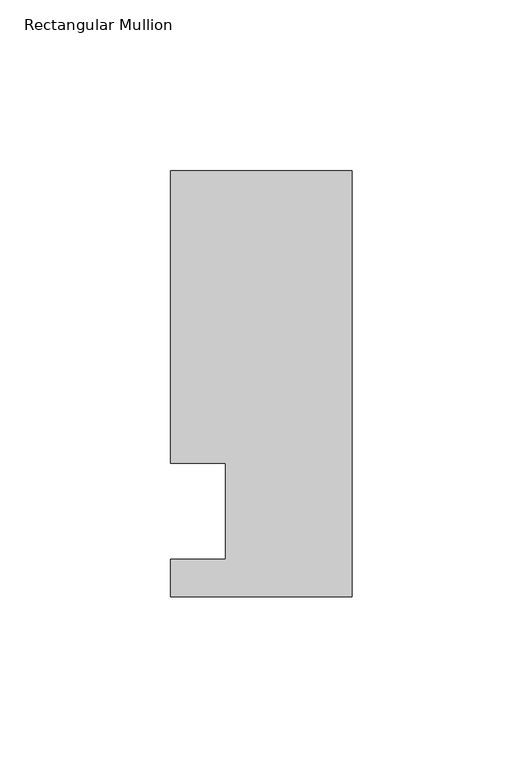
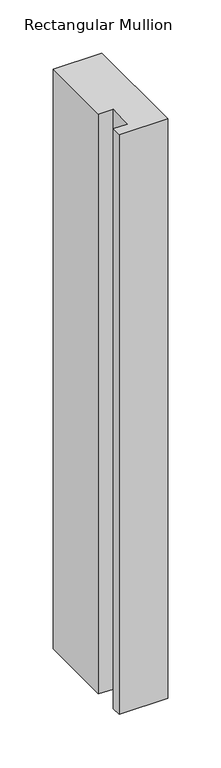
"""IFC4 building model written with IfcOpenShell, lengths in millimetres: member geometry, Rectangular Mullion."""

from ifc_helpers import new_model, si_unit, frame, origin, place, context, project, spatial, polyline, outline, extrude, source, transform, mapped, element, save


def rectangular_mullion_b1a1a476(model_context):
    return source(origin(), model_context, "Body", "SweptSolid", [
        extrude(outline(polyline([(-37.0, -13.9999453), (-37.0, 14.0000547), (-53.0, 14.0000547), (-53.0, 99.5000547), (0.0, 99.5000547), (0.0, -24.9999453), (-53.0, -24.9999453), (-53.0, -13.9999453), (-37.0, -13.9999453)])), frame((0.0, 0.0, -668.1000095), z_axis=(0.0, 0.0, 1.0), x_axis=(1.0, 0.0, 0.0)), (0.0, 0.0, 1.0), 668.1000095),
    ])


if __name__ == "__main__":
    model = new_model("IFC4")
    model_context = context("Model", 3, world=origin())
    ifc_project = project(units=[si_unit("LENGTHUNIT", "METRE", prefix="MILLI")], contexts=[model_context])
    site = spatial("IfcSite", under=ifc_project)
    building = spatial("IfcBuilding", under=site)
    placement = place(None, origin())
    rectangular_mullion_shape = rectangular_mullion_b1a1a476(model_context)
    element("IfcMember", 1, ObjectType="Rectangular Mullion", at=placement, inside=building, context=model_context, shape_type="MappedRepresentation", body=[
        mapped(rectangular_mullion_shape, transform((0.0, 0.0, 0.0), x_axis=(1.0, 0.0, 0.0), y_axis=(0.0, 1.0, 0.0), z_axis=(0.0, 0.0, 1.0))),
    ])
    save(model, "model.ifc")
